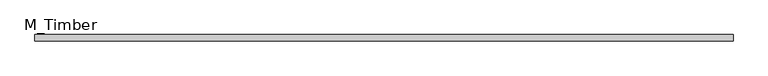
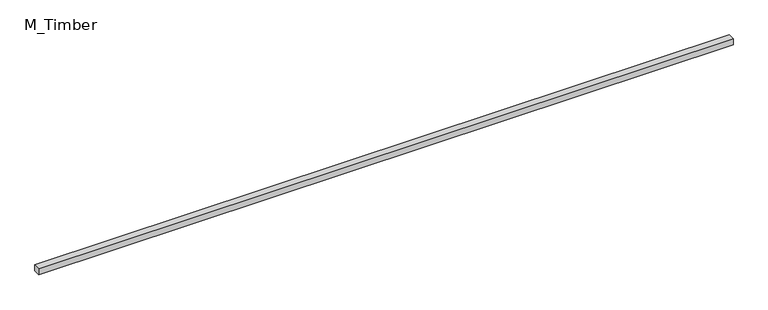
"""IFC4 building model written with IfcOpenShell, lengths in millimetres: beam geometry, M_Timber."""

from ifc_helpers import new_model, si_unit, frame, origin, place, context, project, spatial, polyline, outline, extrude, source, transform, mapped, element, save


def m_timber_8df4b2fc(model_context):
    return source(origin(), model_context, "Body", "SweptSolid", [
        extrude(outline(polyline([(2170.9034943, 20.0), (2170.9034943, -20.0), (-2170.9034943, -20.0), (-2170.9034943, 20.0), (2170.9034943, 20.0)])), frame((0.0, 0.0, -20.0), z_axis=(0.0, 0.0, 1.0), x_axis=(1.0, 0.0, 0.0)), (0.0, 0.0, 1.0), 40.0),
    ])


if __name__ == "__main__":
    model = new_model("IFC4")
    model_context = context("Model", 3, world=origin())
    ifc_project = project(units=[si_unit("LENGTHUNIT", "METRE", prefix="MILLI")], contexts=[model_context])
    site = spatial("IfcSite", under=ifc_project)
    building = spatial("IfcBuilding", under=site)
    placement = place(None, origin())
    m_timber_shape = m_timber_8df4b2fc(model_context)
    element("IfcBeam", 1, ObjectType="M_Timber", at=placement, inside=building, context=model_context, shape_type="MappedRepresentation", body=[
        mapped(m_timber_shape, transform((0.0, 0.0, 0.0), x_axis=(1.0, 0.0, 0.0), y_axis=(0.0, 1.0, 0.0), z_axis=(0.0, 0.0, 1.0))),
    ])
    save(model, "model.ifc")
